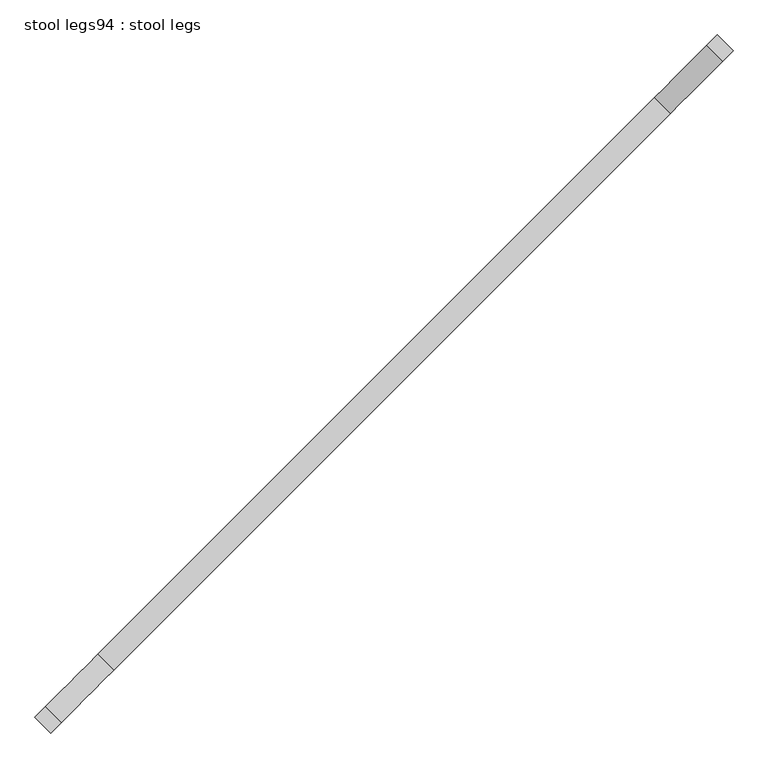
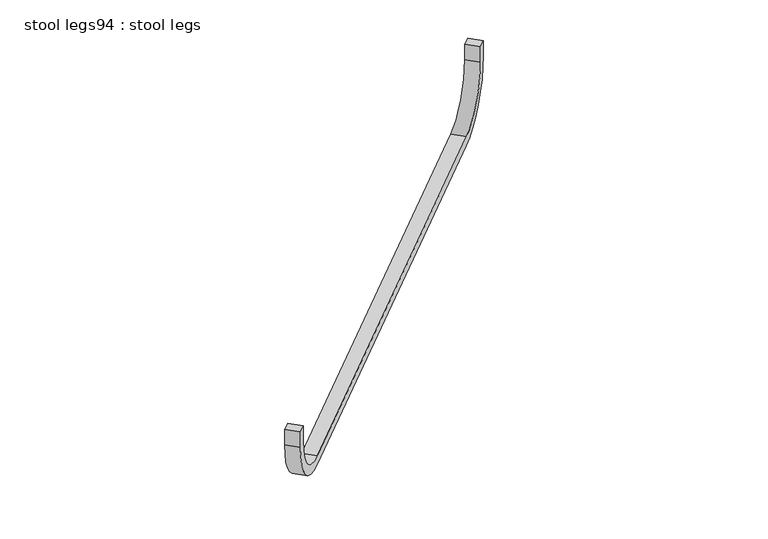
"""IFC4 building model written with IfcOpenShell, lengths in millimetres: furniture geometry, stool legs94 : stool legs."""

from ifc_helpers import new_model, si_unit, point, frame, frame_2d, origin, place, context, project, spatial, polyline, circle_curve, trimmed, segment, composite_curve, outline, extrude, source, transform, mapped, element, save


def stool_legs94_stool_legs_87f2f005(model_context):
    return source(origin(), model_context, "Body", "SweptSolid", [
        extrude(outline(composite_curve([segment(polyline([(-44.45, 0.0), (0.0, 0.0), (0.0, -25.3999999), (-44.45, -25.3999999)]), True, "CONTINUOUS"), segment(trimmed(circle_curve(frame_2d((-44.45, 127.0000001)), 152.4), [point((-44.45, -25.3999999))], [point((-196.85, 127.0000001))], False, "CARTESIAN"), True, "CONTINUOUS"), segment(polyline([(-196.85, 127.0000001), (-196.85, 1473.2000001)]), True, "CONTINUOUS"), segment(trimmed(circle_curve(frame_2d((-44.45, 1473.2000001)), 152.4), [point((-196.85, 1473.2000001))], [point((-44.45, 1625.6))], False, "CARTESIAN"), True, "CONTINUOUS"), segment(polyline([(-44.45, 1625.6), (0.0, 1625.6), (0.0, 1600.2000001), (-44.45, 1600.2000001)]), True, "CONTINUOUS"), segment(trimmed(circle_curve(frame_2d((-44.45, 1473.2000001)), 127.0), [point((-44.45, 1600.2000001))], [point((-171.45, 1473.2000001))], True, "CARTESIAN"), True, "CONTINUOUS"), segment(polyline([(-171.45, 1473.2000001), (-171.45, 127.0000001)]), True, "CONTINUOUS"), segment(trimmed(circle_curve(frame_2d((-44.45, 127.0000001)), 127.0), [point((-171.45, 127.0000001))], [point((-44.45, 0.0))], True, "CARTESIAN"), True, "CONTINUOUS")], self_intersect=False)), frame((-234010.1412302, -39293.9286588, 457.2), z_axis=(-0.707106781186561, 0.707106781186534, 0.0), x_axis=(0.0, 0.0, 1.0)), (0.0, 0.0, 1.0), 38.1),
    ])


if __name__ == "__main__":
    model = new_model("IFC4")
    model_context = context("Model", 3, world=origin())
    ifc_project = project(units=[si_unit("LENGTHUNIT", "METRE", prefix="MILLI")], contexts=[model_context])
    site = spatial("IfcSite", under=ifc_project)
    building = spatial("IfcBuilding", under=site)
    placement = place(None, origin())
    stool_legs94_stool_legs_shape = stool_legs94_stool_legs_87f2f005(model_context)
    element("IfcFurniture", 1, ObjectType="stool legs94 : stool legs", at=placement, inside=building, context=model_context, shape_type="MappedRepresentation", body=[
        mapped(stool_legs94_stool_legs_shape, transform((0.0, 0.0, 0.0), x_axis=(1.0, 0.0, 0.0), y_axis=(0.0, 1.0, 0.0), z_axis=(0.0, 0.0, 1.0))),
    ])
    save(model, "model.ifc")
